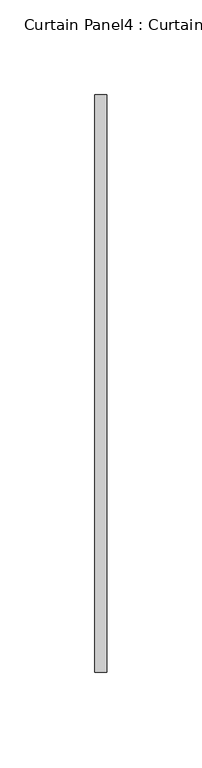
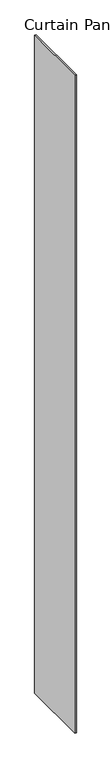
"""IFC4 building model written with IfcOpenShell, lengths in millimetres: plate geometry, Curtain Panel4 : Curtain Panel."""

from ifc_helpers import new_model, si_unit, origin, origin_with_axes, place, context, project, spatial, polyline, outline, extrude, source, transform, mapped, element, save


def curtain_panel4_curtain_panel_2161ddc0(model_context):
    return source(origin(), model_context, "Body", "SweptSolid", [
        extrude(outline(polyline([(114293.583589, 2017.2357423), (114293.583589, 2322.0357423), (114299.933589, 2322.0357423), (114299.933589, 2017.2357423), (114293.583589, 2017.2357423)])), origin_with_axes(), (0.0, 0.0, 1.0), 3048.0),
    ])


if __name__ == "__main__":
    model = new_model("IFC4")
    model_context = context("Model", 3, world=origin())
    ifc_project = project(units=[si_unit("LENGTHUNIT", "METRE", prefix="MILLI")], contexts=[model_context])
    site = spatial("IfcSite", under=ifc_project)
    building = spatial("IfcBuilding", under=site)
    placement = place(None, origin())
    curtain_panel4_curtain_panel_shape = curtain_panel4_curtain_panel_2161ddc0(model_context)
    element("IfcPlate", 1, ObjectType="Curtain Panel4 : Curtain Panel", at=placement, inside=building, context=model_context, shape_type="MappedRepresentation", body=[
        mapped(curtain_panel4_curtain_panel_shape, transform((0.0, 0.0, 0.0), x_axis=(1.0, 0.0, 0.0), y_axis=(0.0, 1.0, 0.0), z_axis=(0.0, 0.0, 1.0))),
    ])
    save(model, "model.ifc")
